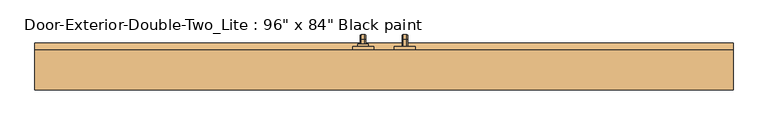
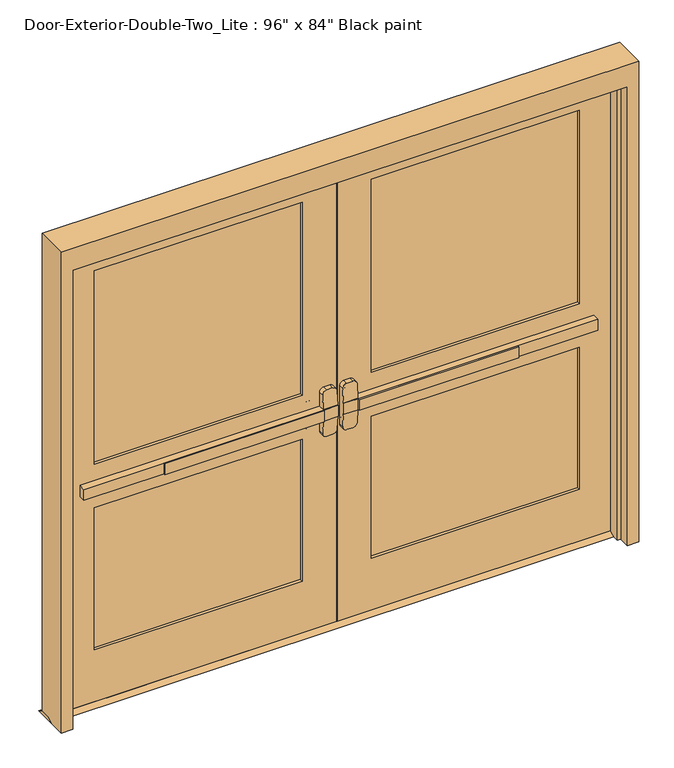
"""IFC4 building model written with IfcOpenShell, lengths in millimetres: door geometry."""

from ifc_helpers import new_model, si_unit, point, frame, frame_2d, origin, place, context, project, spatial, polyline, circle_curve, ellipse_curve, trimmed, segment, composite_curve, outline, extrude, faceted_brep, source, transform, mapped, element, save
from ifc_brep_helpers import plane_surface, cylinder_surface, revolved_surface, advanced_brep


def door_758a77ac(model_context):
    return source(origin(), model_context, "Body", "SolidModel", [
        extrude(outline(polyline([(-778.9333333, 61.9125), (-778.9333333, 68.2625), (-76.2, 68.2625), (-76.2, 61.9125), (-778.9333333, 61.9125)])), frame((0.0, 0.0, 990.6), z_axis=(0.0, 0.0, 1.0), x_axis=(1.0, 0.0, 0.0)), (0.0, 0.0, 1.0), 50.8),
        advanced_brep(
        [(-12.7, 68.2625, 1041.4), (-76.2, 68.2625, 1041.4), (-1130.3, 68.2625, 1041.4), (-1130.3, 68.2625, 990.6), (-76.2, 68.2625, 990.6), (-12.7, 68.2625, 990.6), (-1130.3, 100.0125, 1041.4), (-76.2, 100.0125, 1041.4), (-76.2, 100.0125, 1104.9), (-57.15, 100.0125, 1123.95), (-31.75, 100.0125, 1123.95), (-12.7, 100.0125, 1104.9), (-12.7, 100.0125, 927.1), (-31.75, 100.0125, 908.05), (-57.15, 100.0125, 908.05), (-76.2, 100.0125, 927.1), (-76.2, 100.0125, 990.6), (-1130.3, 100.0125, 990.6), (-12.7, 71.4377467, 1041.4), (-76.2, 71.4377467, 1041.4), (-12.7, 71.4377467, 990.6), (-12.7, 76.4479269, 927.1), (-12.7, 76.4479269, 1104.9), (-76.2, 71.4377467, 990.6), (-76.2, 76.4479269, 1104.9), (-76.2, 76.4479269, 927.1), (-57.15, 77.950981, 1123.95), (-31.75, 77.950981, 1123.95), (-31.75, 77.950981, 908.05), (-57.15, 77.950981, 908.05)],
        [
            (0, 1),
            (1, 2),
            (2, 3),
            (3, 4),
            (4, 5),
            (5, 0),
            (6, 7),
            (7, 8),
            (8, 9, circle_curve(frame((-57.15, 100.0125, 1104.9), z_axis=(0.0, 1.0, 0.0), x_axis=(-1.0, 0.0, 0.0)), 19.05)),
            (9, 10),
            (10, 11, circle_curve(frame((-31.75, 100.0125, 1104.9), z_axis=(0.0, 1.0, 0.0), x_axis=(-1.0, 0.0, 0.0)), 19.05)),
            (11, 12),
            (12, 13, circle_curve(frame((-31.75, 100.0125, 927.1), z_axis=(0.0, 1.0, 0.0), x_axis=(-1.0, 0.0, 0.0)), 19.05)),
            (13, 14),
            (14, 15, circle_curve(frame((-57.15, 100.0125, 927.1), z_axis=(0.0, 1.0, 0.0), x_axis=(-1.0, 0.0, 0.0)), 19.05)),
            (15, 16),
            (16, 17),
            (17, 6),
            (0, 18),
            (18, 19),
            (19, 7),
            (6, 2),
            (5, 20),
            (20, 21),
            (21, 12),
            (11, 22),
            (22, 18),
            (16, 23),
            (23, 20),
            (3, 17),
            (19, 24),
            (24, 8),
            (15, 25),
            (25, 23),
            (9, 26),
            (26, 27),
            (27, 10),
            (13, 28),
            (28, 29),
            (29, 14),
            (29, 25, ellipse_curve(frame((-57.15, 76.4479269, 927.1), z_axis=(0.0, 0.9969018152893365, 0.07865602756830282), x_axis=(0.0, -0.07865602756830208, 0.9969018152893365)), 19.1092038, 19.05)),
            (24, 26, ellipse_curve(frame((-57.15, 76.4479269, 1104.9), z_axis=(0.0, 0.9969018152893376, -0.07865602756828934), x_axis=(0.0, -0.078656027568288, -0.9969018152893377)), 19.1092038, 19.05)),
            (27, 22, ellipse_curve(frame((-31.75, 76.4479269, 1104.9), z_axis=(0.0, 0.9969018152893376, -0.07865602756828934), x_axis=(0.0, -0.078656027568288, -0.9969018152893377)), 19.1092038, 19.05)),
            (21, 28, ellipse_curve(frame((-31.75, 76.4479269, 927.1), z_axis=(0.0, 0.9969018152893365, 0.07865602756830282), x_axis=(0.0, -0.07865602756830208, 0.9969018152893365)), 19.1092038, 19.05)),
        ],
        [
            plane_surface(frame((-12.7, 68.2625, 1041.4), z_axis=(0.0, -1.0, 0.0), x_axis=(1.0, 0.0, 0.0))),
            plane_surface(frame((-12.7, 100.0125, 1041.4), z_axis=(0.0, 1.0, 0.0), x_axis=(-1.0, 0.0, 0.0))),
            plane_surface(frame((-1130.3, 68.2625, 1041.4), z_axis=(0.0, 0.0, 1.0), x_axis=(0.0, 1.0, 0.0))),
            plane_surface(frame((-12.7, 68.2625, 1041.4), z_axis=(1.0, 0.0, 0.0), x_axis=(0.0, 1.0, 0.0))),
            plane_surface(frame((-12.7, 68.2625, 990.6), z_axis=(0.0, 0.0, -1.0), x_axis=(0.0, 1.0, 0.0))),
            plane_surface(frame((-1130.3, 68.2625, 990.6), z_axis=(-1.0, 0.0, 0.0), x_axis=(0.0, 1.0, 0.0))),
            plane_surface(frame((-76.2, 71.4377467, 927.1), z_axis=(-1.0, 0.0, 0.0), x_axis=(0.0, 1.0, 0.0))),
            plane_surface(frame((-57.15, 71.4377467, 1123.95), z_axis=(0.0, 0.0, 1.0), x_axis=(0.0, 1.0, 0.0))),
            plane_surface(frame((-31.75, 71.4377467, 908.05), z_axis=(0.0, 0.0, -1.0), x_axis=(0.0, 1.0, 0.0))),
            cylinder_surface(frame((-57.15, 100.0125, 927.1), z_axis=(0.0, -1.0, 0.0), x_axis=(-1.0, 0.0, 0.0)), 19.05),
            cylinder_surface(frame((-57.15, 100.0125, 1104.9), z_axis=(0.0, -1.0, 0.0), x_axis=(-1.0, 0.0, 0.0)), 19.05),
            cylinder_surface(frame((-31.75, 100.0125, 1104.9), z_axis=(0.0, -1.0, 0.0), x_axis=(-1.0, 0.0, 0.0)), 19.05),
            cylinder_surface(frame((-31.75, 100.0125, 927.1), z_axis=(0.0, -1.0, 0.0), x_axis=(-1.0, 0.0, 0.0)), 19.05),
            plane_surface(frame((-76.2, 71.4377467, 1041.4), z_axis=(0.0, -0.9969018152893376, 0.07865602756828934), x_axis=(1.0, 0.0, 0.0))),
            plane_surface(frame((-76.2, 77.950981, 908.05), z_axis=(0.0, -0.9969018152893365, -0.07865602756830282), x_axis=(1.0, 0.0, 0.0))),
        ],
        [
            (0, [[1, 2, 3, 4, 5, 6]]),
            (1, [[7, 8, 9, 10, 11, 12, 13, 14, 15, 16, 17, 18]]),
            (2, [[-2, -1, 19, 20, 21, -7, 22]]),
            (3, [[23, 24, 25, -12, 26, 27, -19, -6]]),
            (4, [[-17, 28, 29, -23, -5, -4, 30]]),
            (5, [[-22, -18, -30, -3]]),
            (6, [[-21, 31, 32, -8]]),
            (6, [[33, 34, -28, -16]]),
            (7, [[35, 36, 37, -10]]),
            (8, [[38, 39, 40, -14]]),
            (9, [[-40, 41, -33, -15]]),
            (10, [[-32, 42, -35, -9]]),
            (11, [[-37, 43, -26, -11]]),
            (12, [[-25, 44, -38, -13]]),
            (13, [[-27, -43, -36, -42, -31, -20]]),
            (14, [[-29, -34, -41, -39, -44, -24]]),
        ],
    ),
        extrude(outline(polyline([(144.4625, 12.7), (169.8625, 0.0), (74.6125, 0.0), (100.0125, 12.7), (144.4625, 12.7)])), frame((-1270.0, 0.0, 0.0), z_axis=(1.0, 0.0, 0.0), x_axis=(0.0, 1.0, 0.0)), (0.0, 0.0, 1.0), 2540.0),
        extrude(outline(polyline([(778.9333333, 61.9125), (76.2, 61.9125), (76.2, 68.2625), (778.9333333, 68.2625), (778.9333333, 61.9125)])), frame((0.0, 0.0, 990.6), z_axis=(0.0, 0.0, 1.0), x_axis=(1.0, 0.0, 0.0)), (0.0, 0.0, 1.0), 50.8),
        advanced_brep(
        [(12.7, 68.2625, 1041.4), (12.7, 68.2625, 990.6), (76.2, 68.2625, 990.6), (1130.3, 68.2625, 990.6), (1130.3, 68.2625, 1041.4), (76.2, 68.2625, 1041.4), (1130.3, 100.0125, 1041.4), (1130.3, 100.0125, 990.6), (76.2, 100.0125, 990.6), (76.2, 100.0125, 927.1), (57.15, 100.0125, 908.05), (31.75, 100.0125, 908.05), (12.7, 100.0125, 927.1), (12.7, 100.0125, 1104.9), (31.75, 100.0125, 1123.95), (57.15, 100.0125, 1123.95), (76.2, 100.0125, 1104.9), (76.2, 100.0125, 1041.4), (76.2, 71.4377467, 1041.4), (12.7, 71.4377467, 1041.4), (12.7, 76.4479269, 1104.9), (12.7, 76.4479269, 927.1), (12.7, 71.4377467, 990.6), (76.2, 71.4377467, 990.6), (76.2, 76.4479269, 927.1), (76.2, 76.4479269, 1104.9), (31.75, 77.950981, 1123.95), (57.15, 77.950981, 1123.95), (57.15, 77.950981, 908.05), (31.75, 77.950981, 908.05)],
        [
            (0, 1),
            (1, 2),
            (2, 3),
            (3, 4),
            (4, 5),
            (5, 0),
            (6, 7),
            (7, 8),
            (8, 9),
            (9, 10, circle_curve(frame((57.15, 100.0125, 927.1), z_axis=(0.0, 1.0, 0.0), x_axis=(1.0, 0.0, 0.0)), 19.05)),
            (10, 11),
            (11, 12, circle_curve(frame((31.75, 100.0125, 927.1), z_axis=(0.0, 1.0, 0.0), x_axis=(1.0, 0.0, 0.0)), 19.05)),
            (12, 13),
            (13, 14, circle_curve(frame((31.75, 100.0125, 1104.9), z_axis=(0.0, 1.0, 0.0), x_axis=(1.0, 0.0, 0.0)), 19.05)),
            (14, 15),
            (15, 16, circle_curve(frame((57.15, 100.0125, 1104.9), z_axis=(0.0, 1.0, 0.0), x_axis=(1.0, 0.0, 0.0)), 19.05)),
            (16, 17),
            (17, 6),
            (4, 6),
            (17, 18),
            (18, 19),
            (19, 0),
            (19, 20),
            (20, 13),
            (12, 21),
            (21, 22),
            (22, 1),
            (7, 3),
            (22, 23),
            (23, 8),
            (23, 24),
            (24, 9),
            (16, 25),
            (25, 18),
            (14, 26),
            (26, 27),
            (27, 15),
            (10, 28),
            (28, 29),
            (29, 11),
            (24, 28, ellipse_curve(frame((57.15, 76.4479269, 927.1), z_axis=(0.0, 0.9969018152893365, 0.07865602756830282), x_axis=(0.0, -0.07865602756830208, 0.9969018152893365)), 19.1092038, 19.05)),
            (27, 25, ellipse_curve(frame((57.15, 76.4479269, 1104.9), z_axis=(0.0, 0.9969018152893376, -0.07865602756828934), x_axis=(0.0, -0.078656027568288, -0.9969018152893377)), 19.1092038, 19.05)),
            (20, 26, ellipse_curve(frame((31.75, 76.4479269, 1104.9), z_axis=(0.0, 0.9969018152893376, -0.07865602756828934), x_axis=(0.0, -0.078656027568288, -0.9969018152893377)), 19.1092038, 19.05)),
            (29, 21, ellipse_curve(frame((31.75, 76.4479269, 927.1), z_axis=(0.0, 0.9969018152893365, 0.07865602756830282), x_axis=(0.0, -0.07865602756830208, 0.9969018152893365)), 19.1092038, 19.05)),
        ],
        [
            plane_surface(frame((12.7, 68.2625, 1041.4), z_axis=(0.0, -1.0, 0.0), x_axis=(-1.0, 0.0, 0.0))),
            plane_surface(frame((12.7, 100.0125, 1041.4), z_axis=(0.0, 1.0, 0.0), x_axis=(1.0, 0.0, 0.0))),
            plane_surface(frame((1130.3, 68.2625, 1041.4), z_axis=(0.0, 0.0, 1.0), x_axis=(0.0, 1.0, 0.0))),
            plane_surface(frame((12.7, 68.2625, 1041.4), z_axis=(-1.0, 0.0, 0.0), x_axis=(0.0, 1.0, 0.0))),
            plane_surface(frame((12.7, 68.2625, 990.6), z_axis=(0.0, 0.0, -1.0), x_axis=(0.0, 1.0, 0.0))),
            plane_surface(frame((1130.3, 68.2625, 990.6), z_axis=(1.0, 0.0, 0.0), x_axis=(0.0, 1.0, 0.0))),
            plane_surface(frame((76.2, 71.4377467, 927.1), z_axis=(1.0, 0.0, 0.0), x_axis=(0.0, 1.0, 0.0))),
            plane_surface(frame((57.15, 71.4377467, 1123.95), z_axis=(0.0, 0.0, 1.0), x_axis=(0.0, 1.0, 0.0))),
            plane_surface(frame((31.75, 71.4377467, 908.05), z_axis=(0.0, 0.0, -1.0), x_axis=(0.0, 1.0, 0.0))),
            cylinder_surface(frame((57.15, 100.0125, 927.1), z_axis=(0.0, -1.0, 0.0), x_axis=(1.0, 0.0, 0.0)), 19.05),
            cylinder_surface(frame((57.15, 100.0125, 1104.9), z_axis=(0.0, -1.0, 0.0), x_axis=(1.0, 0.0, 0.0)), 19.05),
            cylinder_surface(frame((31.75, 100.0125, 1104.9), z_axis=(0.0, -1.0, 0.0), x_axis=(1.0, 0.0, 0.0)), 19.05),
            cylinder_surface(frame((31.75, 100.0125, 927.1), z_axis=(0.0, -1.0, 0.0), x_axis=(1.0, 0.0, 0.0)), 19.05),
            plane_surface(frame((76.2, 71.4377467, 1041.4), z_axis=(0.0, -0.9969018152893376, 0.07865602756828934), x_axis=(-1.0, 0.0, 0.0))),
            plane_surface(frame((76.2, 77.950981, 908.05), z_axis=(0.0, -0.9969018152893365, -0.07865602756830282), x_axis=(-1.0, 0.0, 0.0))),
        ],
        [
            (0, [[1, 2, 3, 4, 5, 6]]),
            (1, [[7, 8, 9, 10, 11, 12, 13, 14, 15, 16, 17, 18]]),
            (2, [[19, -18, 20, 21, 22, -6, -5]]),
            (3, [[-1, -22, 23, 24, -13, 25, 26, 27]]),
            (4, [[28, -3, -2, -27, 29, 30, -8]]),
            (5, [[-4, -28, -7, -19]]),
            (6, [[-9, -30, 31, 32]]),
            (6, [[-17, 33, 34, -20]]),
            (7, [[-15, 35, 36, 37]]),
            (8, [[-11, 38, 39, 40]]),
            (9, [[-10, -32, 41, -38]]),
            (10, [[-16, -37, 42, -33]]),
            (11, [[-14, -24, 43, -35]]),
            (12, [[-12, -40, 44, -25]]),
            (13, [[-21, -34, -42, -36, -43, -23]]),
            (14, [[-26, -44, -39, -41, -31, -29]]),
        ],
    ),
        advanced_brep(
        [(66.2, 157.1625, 1017.190625), (66.2, 157.1625, 1014.809375), (69.771875, 157.1625, 1011.2375), (82.6284594, 157.1625, 1011.2375), (86.2, 157.1625, 1014.8090406), (86.2, 157.1625, 1017.190625), (82.628125, 157.1625, 1020.7625), (69.771875, 157.1625, 1020.7625), (66.2, 157.1625, 887.809375), (69.771875, 157.1625, 884.2375), (82.628125, 157.1625, 884.2375), (86.2, 157.1625, 887.809375), (86.2, 157.1625, 890.1909594), (82.6284594, 157.1625, 893.7625), (69.771875, 157.1625, 893.7625), (66.2, 157.1625, 890.190625), (66.2, 182.5625, 1017.190625), (66.2, 196.453125, 1003.3), (66.2, 196.453125, 901.7), (66.2, 182.5625, 887.809375), (66.2, 182.5625, 890.190625), (66.2, 194.071875, 901.7), (66.2, 194.071875, 1003.3), (66.2, 182.5625, 1014.809375), (69.771875, 182.5625, 1011.2375), (82.6284594, 182.5625, 1011.2375), (86.2, 182.5625, 1014.8090406), (86.2, 194.0715406, 1003.3), (86.2, 194.0715406, 901.7), (86.2, 182.5625, 890.1909594), (86.2, 182.5625, 887.809375), (86.2, 196.453125, 901.7), (86.2, 196.453125, 1003.3), (86.2, 182.5625, 1017.190625), (82.628125, 182.5625, 1020.7625), (69.771875, 182.5625, 1020.7625), (69.771875, 190.5, 1003.3), (82.6284594, 190.5, 1003.3), (82.628125, 200.025, 1003.3), (69.771875, 200.025, 1003.3), (69.771875, 190.5, 901.7), (82.6284594, 190.5, 901.7), (82.628125, 200.025, 901.7), (69.771875, 200.025, 901.7), (69.771875, 182.5625, 893.7625), (82.6284594, 182.5625, 893.7625), (82.628125, 182.5625, 884.2375), (69.771875, 182.5625, 884.2375)],
        [
            (0, 1),
            (1, 2, circle_curve(frame((69.771875, 157.1625, 1014.809375), z_axis=(0.0, -1.0, 0.0), x_axis=(0.0, 0.0, 1.0)), 3.571875)),
            (2, 3),
            (3, 4, circle_curve(frame((82.6284594, 157.1625, 1014.8090406), z_axis=(0.0, -1.0, 0.0), x_axis=(0.0, 0.0, 1.0)), 3.5715406)),
            (4, 5),
            (5, 6, circle_curve(frame((82.628125, 157.1625, 1017.190625), z_axis=(0.0, -1.0, 0.0), x_axis=(0.0, 0.0, 1.0)), 3.571875)),
            (6, 7),
            (7, 0, circle_curve(frame((69.771875, 157.1625, 1017.190625), z_axis=(0.0, -1.0, 0.0), x_axis=(0.0, 0.0, 1.0)), 3.571875)),
            (8, 9, circle_curve(frame((69.771875, 157.1625, 887.809375), z_axis=(0.0, -1.0, 0.0), x_axis=(0.0, 0.0, -1.0)), 3.571875)),
            (9, 10),
            (10, 11, circle_curve(frame((82.628125, 157.1625, 887.809375), z_axis=(0.0, -1.0, 0.0), x_axis=(0.0, 0.0, -1.0)), 3.571875)),
            (11, 12),
            (12, 13, circle_curve(frame((82.6284594, 157.1625, 890.1909594), z_axis=(0.0, -1.0, 0.0), x_axis=(0.0, 0.0, -1.0)), 3.5715406)),
            (13, 14),
            (14, 15, circle_curve(frame((69.771875, 157.1625, 890.190625), z_axis=(0.0, -1.0, 0.0), x_axis=(0.0, 0.0, -1.0)), 3.571875)),
            (15, 8),
            (0, 16),
            (16, 17, circle_curve(frame((66.2, 182.5625, 1003.3), z_axis=(-1.0, 0.0, 0.0), x_axis=(0.0, 0.0, 1.0)), 13.890625)),
            (17, 18),
            (18, 19, circle_curve(frame((66.2, 182.5625, 901.7), z_axis=(-1.0, 0.0, 0.0), x_axis=(0.0, 1.0, 0.0)), 13.890625)),
            (19, 8),
            (15, 20),
            (20, 21, circle_curve(frame((66.2, 182.5625, 901.7), z_axis=(1.0, 0.0, 0.0), x_axis=(0.0, 1.0, 0.0)), 11.509375)),
            (21, 22),
            (22, 23, circle_curve(frame((66.2, 182.5625, 1003.3), z_axis=(1.0, 0.0, 0.0), x_axis=(0.0, 0.0, 1.0)), 11.509375)),
            (23, 1),
            (23, 24, circle_curve(frame((69.771875, 182.5625, 1014.809375), z_axis=(0.0, -1.0, 0.0), x_axis=(0.0, 0.0, 1.0)), 3.571875)),
            (24, 2),
            (24, 25),
            (25, 3),
            (25, 26, circle_curve(frame((82.6284594, 182.5625, 1014.8090406), z_axis=(0.0, -1.0, 0.0), x_axis=(0.0, 0.0, 1.0)), 3.5715406)),
            (26, 4),
            (26, 27, circle_curve(frame((86.2, 182.5625, 1003.3), z_axis=(-1.0, 0.0, 0.0), x_axis=(0.0, 0.0, 1.0)), 11.5090406)),
            (27, 28),
            (28, 29, circle_curve(frame((86.2, 182.5625, 901.7), z_axis=(-1.0, 0.0, 0.0), x_axis=(0.0, 1.0, 0.0)), 11.5090406)),
            (29, 12),
            (11, 30),
            (30, 31, circle_curve(frame((86.2, 182.5625, 901.7), z_axis=(1.0, 0.0, 0.0), x_axis=(0.0, 1.0, 0.0)), 13.890625)),
            (31, 32),
            (32, 33, circle_curve(frame((86.2, 182.5625, 1003.3), z_axis=(1.0, 0.0, 0.0), x_axis=(0.0, 0.0, 1.0)), 13.890625)),
            (33, 5),
            (33, 34, circle_curve(frame((82.628125, 182.5625, 1017.190625), z_axis=(0.0, -1.0, 0.0), x_axis=(0.0, 0.0, 1.0)), 3.571875)),
            (34, 6),
            (34, 35),
            (35, 7),
            (35, 16, circle_curve(frame((69.771875, 182.5625, 1017.190625), z_axis=(0.0, -1.0, 0.0), x_axis=(0.0, 0.0, 1.0)), 3.571875)),
            (36, 24, circle_curve(frame((69.771875, 182.5625, 1003.3), z_axis=(1.0, 0.0, 0.0), x_axis=(0.0, 0.0, 1.0)), 7.9375)),
            (22, 36, circle_curve(frame((69.771875, 194.071875, 1003.3), z_axis=(0.0, 0.0, 1.0), x_axis=(0.0, 1.0, 0.0)), 3.571875)),
            (37, 25, circle_curve(frame((82.6284594, 182.5625, 1003.3), z_axis=(1.0, 0.0, 0.0), x_axis=(0.0, 0.0, 1.0)), 7.9375)),
            (36, 37),
            (37, 27, circle_curve(frame((82.6284594, 194.0715406, 1003.3), z_axis=(0.0, 0.0, 1.0), x_axis=(0.0, 1.0, 0.0)), 3.5715406)),
            (38, 34, circle_curve(frame((82.628125, 182.5625, 1003.3), z_axis=(1.0, 0.0, 0.0), x_axis=(0.0, 0.0, 1.0)), 17.4625)),
            (32, 38, circle_curve(frame((82.628125, 196.453125, 1003.3), z_axis=(0.0, 0.0, 1.0), x_axis=(0.0, 1.0, 0.0)), 3.571875)),
            (39, 35, circle_curve(frame((69.771875, 182.5625, 1003.3), z_axis=(1.0, 0.0, 0.0), x_axis=(0.0, 0.0, 1.0)), 17.4625)),
            (38, 39),
            (39, 17, circle_curve(frame((69.771875, 196.453125, 1003.3), z_axis=(0.0, 0.0, 1.0), x_axis=(0.0, 1.0, 0.0)), 3.571875)),
            (21, 40, circle_curve(frame((69.771875, 194.071875, 901.7), z_axis=(0.0, 0.0, 1.0), x_axis=(0.0, 1.0, 0.0)), 3.571875)),
            (40, 36),
            (40, 41),
            (41, 37),
            (41, 28, circle_curve(frame((82.6284594, 194.0715406, 901.7), z_axis=(0.0, 0.0, 1.0), x_axis=(0.0, 1.0, 0.0)), 3.5715406)),
            (31, 42, circle_curve(frame((82.628125, 196.453125, 901.7), z_axis=(0.0, 0.0, 1.0), x_axis=(0.0, 1.0, 0.0)), 3.571875)),
            (42, 38),
            (42, 43),
            (43, 39),
            (43, 18, circle_curve(frame((69.771875, 196.453125, 901.7), z_axis=(0.0, 0.0, 1.0), x_axis=(0.0, 1.0, 0.0)), 3.571875)),
            (44, 40, circle_curve(frame((69.771875, 182.5625, 901.7), z_axis=(1.0, 0.0, 0.0), x_axis=(0.0, 1.0, 0.0)), 7.9375)),
            (20, 44, circle_curve(frame((69.771875, 182.5625, 890.190625), z_axis=(0.0, 1.0, 0.0), x_axis=(0.0, 0.0, -1.0)), 3.571875)),
            (45, 41, circle_curve(frame((82.6284594, 182.5625, 901.7), z_axis=(1.0, 0.0, 0.0), x_axis=(0.0, 1.0, 0.0)), 7.9375)),
            (44, 45),
            (45, 29, circle_curve(frame((82.6284594, 182.5625, 890.1909594), z_axis=(0.0, 1.0, 0.0), x_axis=(0.0, 0.0, -1.0)), 3.5715406)),
            (46, 42, circle_curve(frame((82.628125, 182.5625, 901.7), z_axis=(1.0, 0.0, 0.0), x_axis=(0.0, 1.0, 0.0)), 17.4625)),
            (30, 46, circle_curve(frame((82.628125, 182.5625, 887.809375), z_axis=(0.0, 1.0, 0.0), x_axis=(0.0, 0.0, -1.0)), 3.571875)),
            (47, 43, circle_curve(frame((69.771875, 182.5625, 901.7), z_axis=(1.0, 0.0, 0.0), x_axis=(0.0, 1.0, 0.0)), 17.4625)),
            (46, 47),
            (47, 19, circle_curve(frame((69.771875, 182.5625, 887.809375), z_axis=(0.0, 1.0, 0.0), x_axis=(0.0, 0.0, -1.0)), 3.571875)),
            (14, 44),
            (13, 45),
            (10, 46),
            (9, 47),
        ],
        [
            plane_surface(frame((76.2, 157.1625, 1016.0), z_axis=(0.0, -1.0, 0.0), x_axis=(1.0, 0.0, 0.0))),
            plane_surface(frame((76.2, 157.1625, 889.0), z_axis=(0.0, -1.0, 0.0), x_axis=(1.0, 0.0, 0.0))),
            plane_surface(frame((66.2, 157.1625, 1017.190625), z_axis=(-1.0, 0.0, 0.0), x_axis=(0.0, 1.0, 0.0))),
            cylinder_surface(frame((69.771875, 157.1625, 1014.809375), z_axis=(0.0, -1.0, 0.0), x_axis=(0.0, 0.0, 1.0)), 3.571875),
            plane_surface(frame((69.771875, 157.1625, 1011.2375), z_axis=(0.0, 0.0, -1.0), x_axis=(0.0, 1.0, 0.0))),
            cylinder_surface(frame((82.6284594, 157.1625, 1014.8090406), z_axis=(0.0, -1.0, 0.0), x_axis=(0.0, 0.0, 1.0)), 3.5715406),
            plane_surface(frame((86.2, 157.1625, 1014.8090406), z_axis=(1.0, 0.0, 0.0), x_axis=(0.0, 1.0, 0.0))),
            cylinder_surface(frame((82.628125, 157.1625, 1017.190625), z_axis=(0.0, -1.0, 0.0), x_axis=(0.0, 0.0, 1.0)), 3.571875),
            plane_surface(frame((82.628125, 157.1625, 1020.7625), z_axis=(0.0, 0.0, 1.0), x_axis=(0.0, 1.0, 0.0))),
            cylinder_surface(frame((69.771875, 157.1625, 1017.190625), z_axis=(0.0, -1.0, 0.0), x_axis=(0.0, 0.0, 1.0)), 3.571875),
            revolved_surface(trimmed(ellipse_curve(frame((69.771875, 182.5625, 1014.809375), z_axis=(0.0, -1.0, 0.0), x_axis=(0.0, 0.0, 1.0)), 3.571875, 3.571875), [point((66.2, 182.5625, 1014.809375))], [point((69.771875, 182.5625, 1011.2375))], True, "CARTESIAN"), (76.2, 182.5625, 1003.3), (-1.0, 0.0, 0.0)),
            revolved_surface(polyline([(69.771875, 182.5625, 1011.2375), (82.6284594, 182.5625, 1011.2375)]), (76.2, 182.5625, 1003.3), (-1.0, 0.0, 0.0)),
            revolved_surface(trimmed(ellipse_curve(frame((82.6284594, 182.5625, 1014.8090406), z_axis=(0.0, -1.0, 0.0), x_axis=(0.0, 0.0, 1.0)), 3.5715406, 3.5715406), [point((82.6284594, 182.5625, 1011.2375))], [point((86.2, 182.5625, 1014.8090406))], True, "CARTESIAN"), (76.2, 182.5625, 1003.3), (-1.0, 0.0, 0.0)),
            revolved_surface(trimmed(ellipse_curve(frame((82.628125, 182.5625, 1017.190625), z_axis=(0.0, -1.0, 0.0), x_axis=(0.0, 0.0, 1.0)), 3.571875, 3.571875), [point((86.2, 182.5625, 1017.190625))], [point((82.628125, 182.5625, 1020.7625))], True, "CARTESIAN"), (76.2, 182.5625, 1003.3), (-1.0, 0.0, 0.0)),
            cylinder_surface(frame((76.2, 182.5625, 1003.3), z_axis=(-1.0, 0.0, 0.0), x_axis=(0.0, 0.0, 1.0)), 17.4625),
            revolved_surface(trimmed(ellipse_curve(frame((69.771875, 182.5625, 1017.190625), z_axis=(0.0, -1.0, 0.0), x_axis=(0.0, 0.0, 1.0)), 3.571875, 3.571875), [point((69.771875, 182.5625, 1020.7625))], [point((66.2, 182.5625, 1017.190625))], True, "CARTESIAN"), (76.2, 182.5625, 1003.3), (-1.0, 0.0, 0.0)),
            cylinder_surface(frame((69.771875, 194.071875, 1003.3), z_axis=(0.0, 0.0, 1.0), x_axis=(0.0, 1.0, 0.0)), 3.571875),
            plane_surface(frame((69.771875, 190.5, 1003.3), z_axis=(0.0, -1.0, 0.0), x_axis=(0.0, 0.0, -1.0))),
            cylinder_surface(frame((82.6284594, 194.0715406, 1003.3), z_axis=(0.0, 0.0, 1.0), x_axis=(0.0, 1.0, 0.0)), 3.5715406),
            cylinder_surface(frame((82.628125, 196.453125, 1003.3), z_axis=(0.0, 0.0, 1.0), x_axis=(0.0, 1.0, 0.0)), 3.571875),
            plane_surface(frame((82.628125, 200.025, 1003.3), z_axis=(0.0, 1.0, 0.0), x_axis=(0.0, 0.0, -1.0))),
            cylinder_surface(frame((69.771875, 196.453125, 1003.3), z_axis=(0.0, 0.0, 1.0), x_axis=(0.0, 1.0, 0.0)), 3.571875),
            revolved_surface(trimmed(ellipse_curve(frame((69.771875, 194.071875, 901.7), z_axis=(0.0, 0.0, 1.0), x_axis=(0.0, 1.0, 0.0)), 3.571875, 3.571875), [point((66.2, 194.071875, 901.7))], [point((69.771875, 190.5, 901.7))], True, "CARTESIAN"), (76.2, 182.5625, 901.7), (-1.0, 0.0, 0.0)),
            revolved_surface(polyline([(69.771875, 190.5, 901.7), (82.6284594, 190.5, 901.7)]), (76.2, 182.5625, 901.7), (-1.0, 0.0, 0.0)),
            revolved_surface(trimmed(ellipse_curve(frame((82.6284594, 194.0715406, 901.7), z_axis=(0.0, 0.0, 1.0), x_axis=(0.0, 1.0, 0.0)), 3.5715406, 3.5715406), [point((82.6284594, 190.5, 901.7))], [point((86.2, 194.0715406, 901.7))], True, "CARTESIAN"), (76.2, 182.5625, 901.7), (-1.0, 0.0, 0.0)),
            revolved_surface(trimmed(ellipse_curve(frame((82.628125, 196.453125, 901.7), z_axis=(0.0, 0.0, 1.0), x_axis=(0.0, 1.0, 0.0)), 3.571875, 3.571875), [point((86.2, 196.453125, 901.7))], [point((82.628125, 200.025, 901.7))], True, "CARTESIAN"), (76.2, 182.5625, 901.7), (-1.0, 0.0, 0.0)),
            cylinder_surface(frame((76.2, 182.5625, 901.7), z_axis=(-1.0, 0.0, 0.0), x_axis=(0.0, 1.0, 0.0)), 17.4625),
            revolved_surface(trimmed(ellipse_curve(frame((69.771875, 196.453125, 901.7), z_axis=(0.0, 0.0, 1.0), x_axis=(0.0, 1.0, 0.0)), 3.571875, 3.571875), [point((69.771875, 200.025, 901.7))], [point((66.2, 196.453125, 901.7))], True, "CARTESIAN"), (76.2, 182.5625, 901.7), (-1.0, 0.0, 0.0)),
            cylinder_surface(frame((69.771875, 182.5625, 890.190625), z_axis=(0.0, 1.0, 0.0), x_axis=(0.0, 0.0, -1.0)), 3.571875),
            plane_surface(frame((69.771875, 182.5625, 893.7625), z_axis=(0.0, 0.0, 1.0), x_axis=(0.0, -1.0, 0.0))),
            cylinder_surface(frame((82.6284594, 182.5625, 890.1909594), z_axis=(0.0, 1.0, 0.0), x_axis=(0.0, 0.0, -1.0)), 3.5715406),
            cylinder_surface(frame((82.628125, 182.5625, 887.809375), z_axis=(0.0, 1.0, 0.0), x_axis=(0.0, 0.0, -1.0)), 3.571875),
            plane_surface(frame((82.628125, 182.5625, 884.2375), z_axis=(0.0, 0.0, -1.0), x_axis=(0.0, -1.0, 0.0))),
            cylinder_surface(frame((69.771875, 182.5625, 887.809375), z_axis=(0.0, 1.0, 0.0), x_axis=(0.0, 0.0, -1.0)), 3.571875),
        ],
        [
            (0, [[1, 2, 3, 4, 5, 6, 7, 8]]),
            (1, [[9, 10, 11, 12, 13, 14, 15, 16]]),
            (2, [[-1, 17, 18, 19, 20, 21, -16, 22, 23, 24, 25, 26]]),
            (3, [[-2, -26, 27, 28]]),
            (4, [[-3, -28, 29, 30]]),
            (5, [[-4, -30, 31, 32]]),
            (6, [[-5, -32, 33, 34, 35, 36, -12, 37, 38, 39, 40, 41]]),
            (7, [[-6, -41, 42, 43]]),
            (8, [[-7, -43, 44, 45]]),
            (9, [[-8, -45, 46, -17]]),
            (10, [[47, -27, -25, 48]]),
            (11, [[49, -29, -47, 50]]),
            (12, [[-33, -31, -49, 51]]),
            (13, [[52, -42, -40, 53]]),
            (14, [[54, -44, -52, 55]]),
            (15, [[-18, -46, -54, 56]]),
            (16, [[-48, -24, 57, 58]]),
            (17, [[-50, -58, 59, 60]]),
            (18, [[-51, -60, 61, -34]]),
            (19, [[-53, -39, 62, 63]]),
            (20, [[-55, -63, 64, 65]]),
            (21, [[-56, -65, 66, -19]]),
            (22, [[67, -57, -23, 68]]),
            (23, [[69, -59, -67, 70]]),
            (24, [[-35, -61, -69, 71]]),
            (25, [[72, -62, -38, 73]]),
            (26, [[74, -64, -72, 75]]),
            (27, [[-20, -66, -74, 76]]),
            (28, [[-68, -22, -15, 77]]),
            (29, [[-70, -77, -14, 78]]),
            (30, [[-71, -78, -13, -36]]),
            (31, [[-73, -37, -11, 79]]),
            (32, [[-75, -79, -10, 80]]),
            (33, [[-76, -80, -9, -21]]),
        ],
    ),
        extrude(outline(composite_curve([segment(trimmed(circle_curve(frame_2d((1113.0338574, 76.2)), 89.3016225), [point((1193.8, 114.3))], [point((1193.8, 38.1))], False, "CARTESIAN"), True, "CONTINUOUS"), segment(polyline([(1193.8, 38.1), (838.2, 38.1)]), True, "CONTINUOUS"), segment(trimmed(circle_curve(frame_2d((918.9661426, 76.2)), 89.3016225), [point((838.2, 38.1))], [point((838.2, 114.3))], False, "CARTESIAN"), True, "CONTINUOUS"), segment(polyline([(838.2, 114.3), (1193.8, 114.3)]), True, "CONTINUOUS")], self_intersect=False)), frame((0.0, 144.4625, 0.0), z_axis=(0.0, 1.0, 0.0), x_axis=(0.0, 0.0, 1.0)), (0.0, 0.0, 1.0), 12.7),
        advanced_brep(
        [(-86.2, 157.1625, 1017.190625), (-86.2, 157.1625, 1014.809375), (-82.628125, 157.1625, 1011.2375), (-69.7715406, 157.1625, 1011.2375), (-66.2, 157.1625, 1014.8090406), (-66.2, 157.1625, 1017.190625), (-69.771875, 157.1625, 1020.7625), (-82.628125, 157.1625, 1020.7625), (-86.2, 157.1625, 887.809375), (-82.628125, 157.1625, 884.2375), (-69.771875, 157.1625, 884.2375), (-66.2, 157.1625, 887.809375), (-66.2, 157.1625, 890.1909594), (-69.7715406, 157.1625, 893.7625), (-82.628125, 157.1625, 893.7625), (-86.2, 157.1625, 890.190625), (-86.2, 182.5625, 1017.190625), (-86.2, 196.453125, 1003.3), (-86.2, 196.453125, 901.7), (-86.2, 182.5625, 887.809375), (-86.2, 182.5625, 890.190625), (-86.2, 194.071875, 901.7), (-86.2, 194.071875, 1003.3), (-86.2, 182.5625, 1014.809375), (-82.628125, 182.5625, 1011.2375), (-69.7715406, 182.5625, 1011.2375), (-66.2, 182.5625, 1014.8090406), (-66.2, 194.0715406, 1003.3), (-66.2, 194.0715406, 901.7), (-66.2, 182.5625, 890.1909594), (-66.2, 182.5625, 887.809375), (-66.2, 196.453125, 901.7), (-66.2, 196.453125, 1003.3), (-66.2, 182.5625, 1017.190625), (-69.771875, 182.5625, 1020.7625), (-82.628125, 182.5625, 1020.7625), (-82.628125, 190.5, 1003.3), (-69.7715406, 190.5, 1003.3), (-69.771875, 200.025, 1003.3), (-82.628125, 200.025, 1003.3), (-82.628125, 190.5, 901.7), (-69.7715406, 190.5, 901.7), (-69.771875, 200.025, 901.7), (-82.628125, 200.025, 901.7), (-82.628125, 182.5625, 893.7625), (-69.7715406, 182.5625, 893.7625), (-69.771875, 182.5625, 884.2375), (-82.628125, 182.5625, 884.2375)],
        [
            (0, 1),
            (1, 2, circle_curve(frame((-82.628125, 157.1625, 1014.809375), z_axis=(0.0, -1.0, 0.0), x_axis=(0.0, 0.0, 1.0)), 3.571875)),
            (2, 3),
            (3, 4, circle_curve(frame((-69.7715406, 157.1625, 1014.8090406), z_axis=(0.0, -1.0, 0.0), x_axis=(0.0, 0.0, 1.0)), 3.5715406)),
            (4, 5),
            (5, 6, circle_curve(frame((-69.771875, 157.1625, 1017.190625), z_axis=(0.0, -1.0, 0.0), x_axis=(0.0, 0.0, 1.0)), 3.571875)),
            (6, 7),
            (7, 0, circle_curve(frame((-82.628125, 157.1625, 1017.190625), z_axis=(0.0, -1.0, 0.0), x_axis=(0.0, 0.0, 1.0)), 3.571875)),
            (8, 9, circle_curve(frame((-82.628125, 157.1625, 887.809375), z_axis=(0.0, -1.0, 0.0), x_axis=(0.0, 0.0, -1.0)), 3.571875)),
            (9, 10),
            (10, 11, circle_curve(frame((-69.771875, 157.1625, 887.809375), z_axis=(0.0, -1.0, 0.0), x_axis=(0.0, 0.0, -1.0)), 3.571875)),
            (11, 12),
            (12, 13, circle_curve(frame((-69.7715406, 157.1625, 890.1909594), z_axis=(0.0, -1.0, 0.0), x_axis=(0.0, 0.0, -1.0)), 3.5715406)),
            (13, 14),
            (14, 15, circle_curve(frame((-82.628125, 157.1625, 890.190625), z_axis=(0.0, -1.0, 0.0), x_axis=(0.0, 0.0, -1.0)), 3.571875)),
            (15, 8),
            (0, 16),
            (16, 17, circle_curve(frame((-86.2, 182.5625, 1003.3), z_axis=(-1.0, 0.0, 0.0), x_axis=(0.0, 0.0, 1.0)), 13.890625)),
            (17, 18),
            (18, 19, circle_curve(frame((-86.2, 182.5625, 901.7), z_axis=(-1.0, 0.0, 0.0), x_axis=(0.0, 1.0, 0.0)), 13.890625)),
            (19, 8),
            (15, 20),
            (20, 21, circle_curve(frame((-86.2, 182.5625, 901.7), z_axis=(1.0, 0.0, 0.0), x_axis=(0.0, 1.0, 0.0)), 11.509375)),
            (21, 22),
            (22, 23, circle_curve(frame((-86.2, 182.5625, 1003.3), z_axis=(1.0, 0.0, 0.0), x_axis=(0.0, 0.0, 1.0)), 11.509375)),
            (23, 1),
            (23, 24, circle_curve(frame((-82.628125, 182.5625, 1014.809375), z_axis=(0.0, -1.0, 0.0), x_axis=(0.0, 0.0, 1.0)), 3.571875)),
            (24, 2),
            (24, 25),
            (25, 3),
            (25, 26, circle_curve(frame((-69.7715406, 182.5625, 1014.8090406), z_axis=(0.0, -1.0, 0.0), x_axis=(0.0, 0.0, 1.0)), 3.5715406)),
            (26, 4),
            (26, 27, circle_curve(frame((-66.2, 182.5625, 1003.3), z_axis=(-1.0, 0.0, 0.0), x_axis=(0.0, 0.0, 1.0)), 11.5090406)),
            (27, 28),
            (28, 29, circle_curve(frame((-66.2, 182.5625, 901.7), z_axis=(-1.0, 0.0, 0.0), x_axis=(0.0, 1.0, 0.0)), 11.5090406)),
            (29, 12),
            (11, 30),
            (30, 31, circle_curve(frame((-66.2, 182.5625, 901.7), z_axis=(1.0, 0.0, 0.0), x_axis=(0.0, 1.0, 0.0)), 13.890625)),
            (31, 32),
            (32, 33, circle_curve(frame((-66.2, 182.5625, 1003.3), z_axis=(1.0, 0.0, 0.0), x_axis=(0.0, 0.0, 1.0)), 13.890625)),
            (33, 5),
            (33, 34, circle_curve(frame((-69.771875, 182.5625, 1017.190625), z_axis=(0.0, -1.0, 0.0), x_axis=(0.0, 0.0, 1.0)), 3.571875)),
            (34, 6),
            (34, 35),
            (35, 7),
            (35, 16, circle_curve(frame((-82.628125, 182.5625, 1017.190625), z_axis=(0.0, -1.0, 0.0), x_axis=(0.0, 0.0, 1.0)), 3.571875)),
            (36, 24, circle_curve(frame((-82.628125, 182.5625, 1003.3), z_axis=(1.0, 0.0, 0.0), x_axis=(0.0, 0.0, 1.0)), 7.9375)),
            (22, 36, circle_curve(frame((-82.628125, 194.071875, 1003.3), z_axis=(0.0, 0.0, 1.0), x_axis=(0.0, 1.0, 0.0)), 3.571875)),
            (37, 25, circle_curve(frame((-69.7715406, 182.5625, 1003.3), z_axis=(1.0, 0.0, 0.0), x_axis=(0.0, 0.0, 1.0)), 7.9375)),
            (36, 37),
            (37, 27, circle_curve(frame((-69.7715406, 194.0715406, 1003.3), z_axis=(0.0, 0.0, 1.0), x_axis=(0.0, 1.0, 0.0)), 3.5715406)),
            (38, 34, circle_curve(frame((-69.771875, 182.5625, 1003.3), z_axis=(1.0, 0.0, 0.0), x_axis=(0.0, 0.0, 1.0)), 17.4625)),
            (32, 38, circle_curve(frame((-69.771875, 196.453125, 1003.3), z_axis=(0.0, 0.0, 1.0), x_axis=(0.0, 1.0, 0.0)), 3.571875)),
            (39, 35, circle_curve(frame((-82.628125, 182.5625, 1003.3), z_axis=(1.0, 0.0, 0.0), x_axis=(0.0, 0.0, 1.0)), 17.4625)),
            (38, 39),
            (39, 17, circle_curve(frame((-82.628125, 196.453125, 1003.3), z_axis=(0.0, 0.0, 1.0), x_axis=(0.0, 1.0, 0.0)), 3.571875)),
            (21, 40, circle_curve(frame((-82.628125, 194.071875, 901.7), z_axis=(0.0, 0.0, 1.0), x_axis=(0.0, 1.0, 0.0)), 3.571875)),
            (40, 36),
            (40, 41),
            (41, 37),
            (41, 28, circle_curve(frame((-69.7715406, 194.0715406, 901.7), z_axis=(0.0, 0.0, 1.0), x_axis=(0.0, 1.0, 0.0)), 3.5715406)),
            (31, 42, circle_curve(frame((-69.771875, 196.453125, 901.7), z_axis=(0.0, 0.0, 1.0), x_axis=(0.0, 1.0, 0.0)), 3.571875)),
            (42, 38),
            (42, 43),
            (43, 39),
            (43, 18, circle_curve(frame((-82.628125, 196.453125, 901.7), z_axis=(0.0, 0.0, 1.0), x_axis=(0.0, 1.0, 0.0)), 3.571875)),
            (44, 40, circle_curve(frame((-82.628125, 182.5625, 901.7), z_axis=(1.0, 0.0, 0.0), x_axis=(0.0, 1.0, 0.0)), 7.9375)),
            (20, 44, circle_curve(frame((-82.628125, 182.5625, 890.190625), z_axis=(0.0, 1.0, 0.0), x_axis=(0.0, 0.0, -1.0)), 3.571875)),
            (45, 41, circle_curve(frame((-69.7715406, 182.5625, 901.7), z_axis=(1.0, 0.0, 0.0), x_axis=(0.0, 1.0, 0.0)), 7.9375)),
            (44, 45),
            (45, 29, circle_curve(frame((-69.7715406, 182.5625, 890.1909594), z_axis=(0.0, 1.0, 0.0), x_axis=(0.0, 0.0, -1.0)), 3.5715406)),
            (46, 42, circle_curve(frame((-69.771875, 182.5625, 901.7), z_axis=(1.0, 0.0, 0.0), x_axis=(0.0, 1.0, 0.0)), 17.4625)),
            (30, 46, circle_curve(frame((-69.771875, 182.5625, 887.809375), z_axis=(0.0, 1.0, 0.0), x_axis=(0.0, 0.0, -1.0)), 3.571875)),
            (47, 43, circle_curve(frame((-82.628125, 182.5625, 901.7), z_axis=(1.0, 0.0, 0.0), x_axis=(0.0, 1.0, 0.0)), 17.4625)),
            (46, 47),
            (47, 19, circle_curve(frame((-82.628125, 182.5625, 887.809375), z_axis=(0.0, 1.0, 0.0), x_axis=(0.0, 0.0, -1.0)), 3.571875)),
            (14, 44),
            (13, 45),
            (10, 46),
            (9, 47),
        ],
        [
            plane_surface(frame((-76.2, 157.1625, 1016.0), z_axis=(0.0, -1.0, 0.0), x_axis=(1.0, 0.0, 0.0))),
            plane_surface(frame((-76.2, 157.1625, 889.0), z_axis=(0.0, -1.0, 0.0), x_axis=(1.0, 0.0, 0.0))),
            plane_surface(frame((-86.2, 157.1625, 1017.190625), z_axis=(-1.0, 0.0, 0.0), x_axis=(0.0, 1.0, 0.0))),
            cylinder_surface(frame((-82.628125, 157.1625, 1014.809375), z_axis=(0.0, -1.0, 0.0), x_axis=(0.0, 0.0, 1.0)), 3.571875),
            plane_surface(frame((-82.628125, 157.1625, 1011.2375), z_axis=(0.0, 0.0, -1.0), x_axis=(0.0, 1.0, 0.0))),
            cylinder_surface(frame((-69.7715406, 157.1625, 1014.8090406), z_axis=(0.0, -1.0, 0.0), x_axis=(0.0, 0.0, 1.0)), 3.5715406),
            plane_surface(frame((-66.2, 157.1625, 1014.8090406), z_axis=(1.0, 0.0, 0.0), x_axis=(0.0, 1.0, 0.0))),
            cylinder_surface(frame((-69.771875, 157.1625, 1017.190625), z_axis=(0.0, -1.0, 0.0), x_axis=(0.0, 0.0, 1.0)), 3.571875),
            plane_surface(frame((-69.771875, 157.1625, 1020.7625), z_axis=(0.0, 0.0, 1.0), x_axis=(0.0, 1.0, 0.0))),
            cylinder_surface(frame((-82.628125, 157.1625, 1017.190625), z_axis=(0.0, -1.0, 0.0), x_axis=(0.0, 0.0, 1.0)), 3.571875),
            revolved_surface(trimmed(ellipse_curve(frame((-82.628125, 182.5625, 1014.809375), z_axis=(0.0, -1.0, 0.0), x_axis=(0.0, 0.0, 1.0)), 3.571875, 3.571875), [point((-86.2, 182.5625, 1014.809375))], [point((-82.628125, 182.5625, 1011.2375))], True, "CARTESIAN"), (-76.2, 182.5625, 1003.3), (-1.0, 0.0, 0.0)),
            revolved_surface(polyline([(-82.628125, 182.5625, 1011.2375), (-69.7715406, 182.5625, 1011.2375)]), (-76.2, 182.5625, 1003.3), (-1.0, 0.0, 0.0)),
            revolved_surface(trimmed(ellipse_curve(frame((-69.7715406, 182.5625, 1014.8090406), z_axis=(0.0, -1.0, 0.0), x_axis=(0.0, 0.0, 1.0)), 3.5715406, 3.5715406), [point((-69.7715406, 182.5625, 1011.2375))], [point((-66.2, 182.5625, 1014.8090406))], True, "CARTESIAN"), (-76.2, 182.5625, 1003.3), (-1.0, 0.0, 0.0)),
            revolved_surface(trimmed(ellipse_curve(frame((-69.771875, 182.5625, 1017.190625), z_axis=(0.0, -1.0, 0.0), x_axis=(0.0, 0.0, 1.0)), 3.571875, 3.571875), [point((-66.2, 182.5625, 1017.190625))], [point((-69.771875, 182.5625, 1020.7625))], True, "CARTESIAN"), (-76.2, 182.5625, 1003.3), (-1.0, 0.0, 0.0)),
            cylinder_surface(frame((-76.2, 182.5625, 1003.3), z_axis=(-1.0, 0.0, 0.0), x_axis=(0.0, 0.0, 1.0)), 17.4625),
            revolved_surface(trimmed(ellipse_curve(frame((-82.628125, 182.5625, 1017.190625), z_axis=(0.0, -1.0, 0.0), x_axis=(0.0, 0.0, 1.0)), 3.571875, 3.571875), [point((-82.628125, 182.5625, 1020.7625))], [point((-86.2, 182.5625, 1017.190625))], True, "CARTESIAN"), (-76.2, 182.5625, 1003.3), (-1.0, 0.0, 0.0)),
            cylinder_surface(frame((-82.628125, 194.071875, 1003.3), z_axis=(0.0, 0.0, 1.0), x_axis=(0.0, 1.0, 0.0)), 3.571875),
            plane_surface(frame((-82.628125, 190.5, 1003.3), z_axis=(0.0, -1.0, 0.0), x_axis=(0.0, 0.0, -1.0))),
            cylinder_surface(frame((-69.7715406, 194.0715406, 1003.3), z_axis=(0.0, 0.0, 1.0), x_axis=(0.0, 1.0, 0.0)), 3.5715406),
            cylinder_surface(frame((-69.771875, 196.453125, 1003.3), z_axis=(0.0, 0.0, 1.0), x_axis=(0.0, 1.0, 0.0)), 3.571875),
            plane_surface(frame((-69.771875, 200.025, 1003.3), z_axis=(0.0, 1.0, 0.0), x_axis=(0.0, 0.0, -1.0))),
            cylinder_surface(frame((-82.628125, 196.453125, 1003.3), z_axis=(0.0, 0.0, 1.0), x_axis=(0.0, 1.0, 0.0)), 3.571875),
            revolved_surface(trimmed(ellipse_curve(frame((-82.628125, 194.071875, 901.7), z_axis=(0.0, 0.0, 1.0), x_axis=(0.0, 1.0, 0.0)), 3.571875, 3.571875), [point((-86.2, 194.071875, 901.7))], [point((-82.628125, 190.5, 901.7))], True, "CARTESIAN"), (-76.2, 182.5625, 901.7), (-1.0, 0.0, 0.0)),
            revolved_surface(polyline([(-82.628125, 190.5, 901.7), (-69.7715406, 190.5, 901.7)]), (-76.2, 182.5625, 901.7), (-1.0, 0.0, 0.0)),
            revolved_surface(trimmed(ellipse_curve(frame((-69.7715406, 194.0715406, 901.7), z_axis=(0.0, 0.0, 1.0), x_axis=(0.0, 1.0, 0.0)), 3.5715406, 3.5715406), [point((-69.7715406, 190.5, 901.7))], [point((-66.2, 194.0715406, 901.7))], True, "CARTESIAN"), (-76.2, 182.5625, 901.7), (-1.0, 0.0, 0.0)),
            revolved_surface(trimmed(ellipse_curve(frame((-69.771875, 196.453125, 901.7), z_axis=(0.0, 0.0, 1.0), x_axis=(0.0, 1.0, 0.0)), 3.571875, 3.571875), [point((-66.2, 196.453125, 901.7))], [point((-69.771875, 200.025, 901.7))], True, "CARTESIAN"), (-76.2, 182.5625, 901.7), (-1.0, 0.0, 0.0)),
            cylinder_surface(frame((-76.2, 182.5625, 901.7), z_axis=(-1.0, 0.0, 0.0), x_axis=(0.0, 1.0, 0.0)), 17.4625),
            revolved_surface(trimmed(ellipse_curve(frame((-82.628125, 196.453125, 901.7), z_axis=(0.0, 0.0, 1.0), x_axis=(0.0, 1.0, 0.0)), 3.571875, 3.571875), [point((-82.628125, 200.025, 901.7))], [point((-86.2, 196.453125, 901.7))], True, "CARTESIAN"), (-76.2, 182.5625, 901.7), (-1.0, 0.0, 0.0)),
            cylinder_surface(frame((-82.628125, 182.5625, 890.190625), z_axis=(0.0, 1.0, 0.0), x_axis=(0.0, 0.0, -1.0)), 3.571875),
            plane_surface(frame((-82.628125, 182.5625, 893.7625), z_axis=(0.0, 0.0, 1.0), x_axis=(0.0, -1.0, 0.0))),
            cylinder_surface(frame((-69.7715406, 182.5625, 890.1909594), z_axis=(0.0, 1.0, 0.0), x_axis=(0.0, 0.0, -1.0)), 3.5715406),
            cylinder_surface(frame((-69.771875, 182.5625, 887.809375), z_axis=(0.0, 1.0, 0.0), x_axis=(0.0, 0.0, -1.0)), 3.571875),
            plane_surface(frame((-69.771875, 182.5625, 884.2375), z_axis=(0.0, 0.0, -1.0), x_axis=(0.0, -1.0, 0.0))),
            cylinder_surface(frame((-82.628125, 182.5625, 887.809375), z_axis=(0.0, 1.0, 0.0), x_axis=(0.0, 0.0, -1.0)), 3.571875),
        ],
        [
            (0, [[1, 2, 3, 4, 5, 6, 7, 8]]),
            (1, [[9, 10, 11, 12, 13, 14, 15, 16]]),
            (2, [[-1, 17, 18, 19, 20, 21, -16, 22, 23, 24, 25, 26]]),
            (3, [[-2, -26, 27, 28]]),
            (4, [[-3, -28, 29, 30]]),
            (5, [[-4, -30, 31, 32]]),
            (6, [[-5, -32, 33, 34, 35, 36, -12, 37, 38, 39, 40, 41]]),
            (7, [[-6, -41, 42, 43]]),
            (8, [[-7, -43, 44, 45]]),
            (9, [[-8, -45, 46, -17]]),
            (10, [[47, -27, -25, 48]]),
            (11, [[49, -29, -47, 50]]),
            (12, [[-33, -31, -49, 51]]),
            (13, [[52, -42, -40, 53]]),
            (14, [[54, -44, -52, 55]]),
            (15, [[-18, -46, -54, 56]]),
            (16, [[-48, -24, 57, 58]]),
            (17, [[-50, -58, 59, 60]]),
            (18, [[-51, -60, 61, -34]]),
            (19, [[-53, -39, 62, 63]]),
            (20, [[-55, -63, 64, 65]]),
            (21, [[-56, -65, 66, -19]]),
            (22, [[67, -57, -23, 68]]),
            (23, [[69, -59, -67, 70]]),
            (24, [[-35, -61, -69, 71]]),
            (25, [[72, -62, -38, 73]]),
            (26, [[74, -64, -72, 75]]),
            (27, [[-20, -66, -74, 76]]),
            (28, [[-68, -22, -15, 77]]),
            (29, [[-70, -77, -14, 78]]),
            (30, [[-71, -78, -13, -36]]),
            (31, [[-73, -37, -11, 79]]),
            (32, [[-75, -79, -10, 80]]),
            (33, [[-76, -80, -9, -21]]),
        ],
    ),
        extrude(outline(composite_curve([segment(trimmed(circle_curve(frame_2d((1117.6, -76.2)), 19.0), [point((1117.6, -95.2))], [point((1117.6, -57.2))], False, "CARTESIAN"), True, "CONTINUOUS"), segment(trimmed(circle_curve(frame_2d((1117.6, -76.2)), 19.0), [point((1117.6, -57.2))], [point((1117.6, -95.2))], False, "CARTESIAN"), True, "CONTINUOUS")], self_intersect=False)), frame((0.0, 157.1625, 0.0), z_axis=(0.0, 1.0, 0.0), x_axis=(0.0, 0.0, 1.0)), (0.0, 0.0, 1.0), 8.73125),
        extrude(outline(composite_curve([segment(trimmed(circle_curve(frame_2d((1113.0338574, -76.2)), 89.3016225), [point((1193.8, -38.1))], [point((1193.8, -114.3))], False, "CARTESIAN"), True, "CONTINUOUS"), segment(polyline([(1193.8, -114.3), (838.2, -114.3)]), True, "CONTINUOUS"), segment(trimmed(circle_curve(frame_2d((918.9661426, -76.2)), 89.3016225), [point((838.2, -114.3))], [point((838.2, -38.1))], False, "CARTESIAN"), True, "CONTINUOUS"), segment(polyline([(838.2, -38.1), (1193.8, -38.1)]), True, "CONTINUOUS")], self_intersect=False)), frame((0.0, 144.4625, 0.0), z_axis=(0.0, 1.0, 0.0), x_axis=(0.0, 0.0, 1.0)), (0.0, 0.0, 1.0), 12.7),
        faceted_brep([(1219.2, 95.25, 0.0), (1219.2, 144.4625, 0.0), (1270.0, 144.4625, 0.0), (1270.0, -1.5875, 0.0), (1219.2, -1.5875, 0.0), (1219.2, 47.625, 0.0), (1203.325, 47.625, 0.0), (1203.325, 95.25, 0.0), (1219.2, 95.25, 2133.6), (1219.2, 144.4625, 2133.6), (-1219.2, 144.4625, 2133.6), (-1219.2, 144.4625, 0.0), (-1270.0, 144.4625, 0.0), (-1270.0, 144.4625, 2235.2), (1270.0, 144.4625, 2235.2), (1270.0, -1.5875, 2235.2), (-1270.0, -1.5875, 2235.2), (-1270.0, -1.5875, 0.0), (-1219.2, -1.5875, 0.0), (-1219.2, -1.5875, 2133.6), (1219.2, -1.5875, 2133.6), (1219.2, 47.625, 2133.6), (-1219.2, 47.625, 2133.6), (-1219.2, 47.625, 0.0), (-1203.325, 47.625, 0.0), (-1203.325, 47.625, 2117.725), (1203.325, 47.625, 2117.725), (1203.325, 95.25, 2117.725), (-1203.325, 95.25, 2117.725), (-1203.325, 95.25, 0.0), (-1219.2, 95.25, 0.0), (-1219.2, 95.25, 2133.6)], [[[0, 1, 2, 3, 4, 5, 6, 7]], [[1, 0, 8, 9]], [[2, 1, 9, 10, 11, 12, 13, 14]], [[3, 2, 14, 15]], [[4, 3, 15, 16, 17, 18, 19, 20]], [[5, 4, 20, 21]], [[6, 5, 21, 22, 23, 24, 25, 26]], [[7, 6, 26, 27]], [[0, 7, 27, 28, 29, 30, 31, 8]], [[9, 8, 31, 10]], [[20, 19, 22, 21]], [[26, 25, 28, 27]], [[12, 11, 30, 29, 24, 23, 18, 17]], [[11, 10, 31, 30]], [[13, 12, 17, 16]], [[19, 18, 23, 22]], [[25, 24, 29, 28]], [[15, 14, 13, 16]]]),
        extrude(outline(polyline([(2133.6, 1.5875), (12.7, 1.5875), (12.7, 1219.2), (2133.6, 1219.2), (2133.6, 1.5875)]), holes=[polyline([(2016.125, 152.4), (2016.125, 1066.8), (1117.6, 1066.8), (1117.6, 152.4), (2016.125, 152.4)]), polyline([(914.4, 152.4), (914.4, 1066.8), (254.0, 1066.8), (254.0, 152.4), (914.4, 152.4)])]), frame((0.0, 100.0125, 0.0), z_axis=(0.0, 1.0, 0.0), x_axis=(0.0, 0.0, 1.0)), (0.0, 0.0, 1.0), 44.45),
        extrude(outline(polyline([(12.7, -1.5875), (2133.6, -1.5875), (2133.6, -1219.2), (12.7, -1219.2), (12.7, -1.5875)]), holes=[polyline([(2016.125, -1066.8), (2016.125, -152.4), (1117.6, -152.4), (1117.6, -1066.8), (2016.125, -1066.8)]), polyline([(914.4, -1066.8), (914.4, -152.4), (254.0, -152.4), (254.0, -1066.8), (914.4, -1066.8)])]), frame((0.0, 100.0125, 0.0), z_axis=(0.0, 1.0, 0.0), x_axis=(0.0, 0.0, 1.0)), (0.0, 0.0, 1.0), 44.45),
        extrude(outline(polyline([(1066.8, 112.7125), (152.4, 112.7125), (152.4, 131.7625), (1066.8, 131.7625), (1066.8, 112.7125)])), frame((0.0, 0.0, 1117.6), z_axis=(0.0, 0.0, 1.0), x_axis=(1.0, 0.0, 0.0)), (0.0, 0.0, 1.0), 898.525),
        extrude(outline(polyline([(-152.4, 112.7125), (-1066.8, 112.7125), (-1066.8, 131.7625), (-152.4, 131.7625), (-152.4, 112.7125)])), frame((0.0, 0.0, 1117.6), z_axis=(0.0, 0.0, 1.0), x_axis=(1.0, 0.0, 0.0)), (0.0, 0.0, 1.0), 898.525),
        extrude(outline(polyline([(-152.4, 112.7125), (-1066.8, 112.7125), (-1066.8, 131.7625), (-152.4, 131.7625), (-152.4, 112.7125)])), frame((0.0, 0.0, 254.0), z_axis=(0.0, 0.0, 1.0), x_axis=(1.0, 0.0, 0.0)), (0.0, 0.0, 1.0), 660.4),
        extrude(outline(polyline([(1066.8, 112.7125), (152.4, 112.7125), (152.4, 131.7625), (1066.8, 131.7625), (1066.8, 112.7125)])), frame((0.0, 0.0, 254.0), z_axis=(0.0, 0.0, 1.0), x_axis=(1.0, 0.0, 0.0)), (0.0, 0.0, 1.0), 660.4),
    ])


if __name__ == "__main__":
    model = new_model("IFC4")
    model_context = context("Model", 3, world=origin())
    ifc_project = project(units=[si_unit("LENGTHUNIT", "METRE", prefix="MILLI")], contexts=[model_context])
    site = spatial("IfcSite", under=ifc_project)
    building = spatial("IfcBuilding", under=site)
    placement = place(None, origin())
    door_shape = door_758a77ac(model_context)
    element("IfcDoor", 1, ObjectType="Door-Exterior-Double-Two_Lite : 96\" x 84\" Black paint", at=placement, inside=building, context=model_context, shape_type="MappedRepresentation", body=[
        mapped(door_shape, transform((0.0, 0.0, 0.0), x_axis=(1.0, 0.0, 0.0), y_axis=(0.0, 1.0, 0.0), z_axis=(0.0, 0.0, 1.0))),
    ])
    save(model, "model.ifc")
